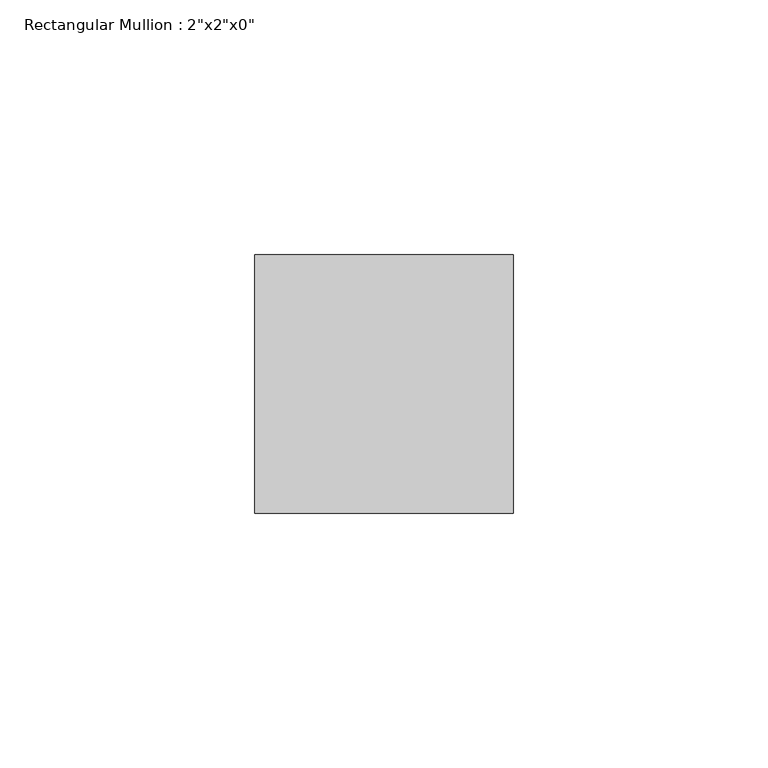
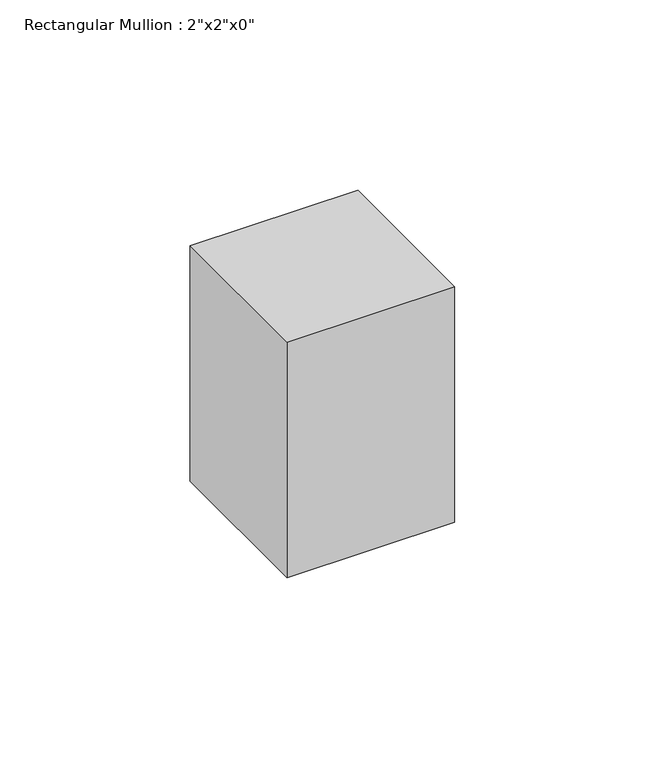
"""IFC4 building model written with IfcOpenShell, lengths in millimetres: member geometry."""

from ifc_helpers import new_model, si_unit, frame, origin, place, context, project, spatial, polyline, outline, extrude, source, transform, mapped, element, save


def member_a22365ff(model_context):
    return source(origin(), model_context, "Body", "SweptSolid", [
        extrude(outline(polyline([(0.0, 25.4), (0.0, -25.4), (-50.8, -25.4), (-50.8, 25.4), (0.0, 25.4)])), frame((0.0, 0.0, -75.4495598), z_axis=(0.0, 0.0, 1.0), x_axis=(1.0, 0.0, 0.0)), (0.0, 0.0, 1.0), 75.4495598),
    ])


if __name__ == "__main__":
    model = new_model("IFC4")
    model_context = context("Model", 3, world=origin())
    ifc_project = project(units=[si_unit("LENGTHUNIT", "METRE", prefix="MILLI")], contexts=[model_context])
    site = spatial("IfcSite", under=ifc_project)
    building = spatial("IfcBuilding", under=site)
    placement = place(None, origin())
    member_shape = member_a22365ff(model_context)
    element("IfcMember", 1, ObjectType="Rectangular Mullion : 2\"x2\"x0\"", at=placement, inside=building, context=model_context, shape_type="MappedRepresentation", body=[
        mapped(member_shape, transform((0.0, 0.0, 0.0), x_axis=(1.0, 0.0, 0.0), y_axis=(0.0, 1.0, 0.0), z_axis=(0.0, 0.0, 1.0))),
    ])
    save(model, "model.ifc")
